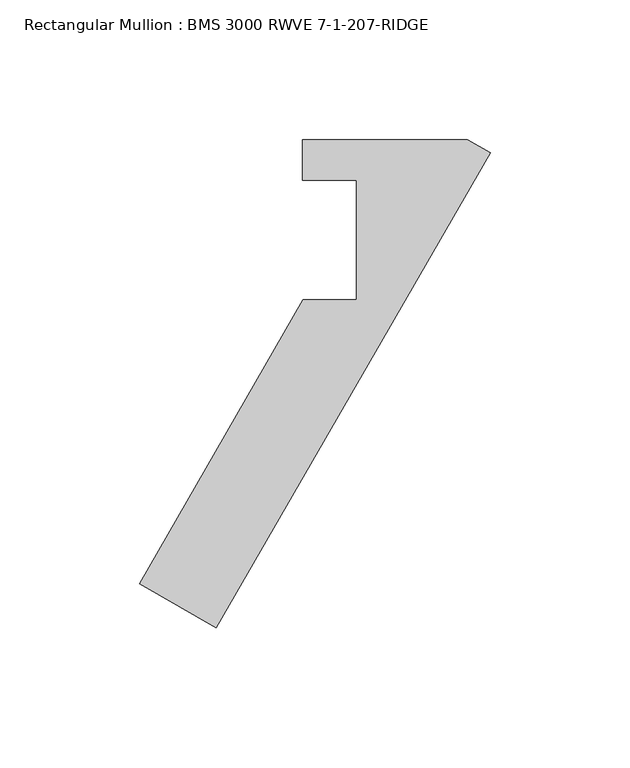
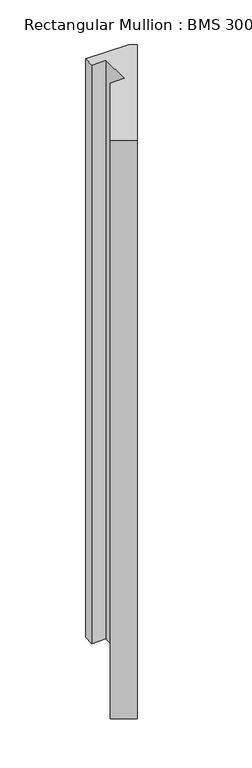
"""IFC4 building model written with IfcOpenShell, lengths in millimetres: member geometry, Rectangular Mullion : BMS 3000 RWVE 7-1-207-RIDGE."""

from ifc_helpers import new_model, si_unit, frame, origin, place, context, project, spatial, polyline, outline, extrude, source, transform, mapped, element, save


def rectangular_mullion_bms_3000_rwve_7_1_207_ridge_e7c8d4cb(model_context):
    return source(origin(), model_context, "Body", "SweptSolid", [
        extrude(outline(polyline([(-8.2593666, 4.7511348), (0.0, -0.0174127), (-98.2237332, -170.1459091), (-125.7200397, -154.2709091), (-67.0612524, -52.6709091), (-48.0112524, -52.6709091), (-48.0112524, -9.7425031), (-67.2653176, -9.7425031), (-67.2653176, 4.7511348), (-8.2593666, 4.7511348)])), frame((0.0, 0.0, -830.659375), z_axis=(0.0, 0.0, 1.0), x_axis=(1.0, 0.0, 0.0)), (0.0, 0.0, 1.0), 830.659375),
    ])


if __name__ == "__main__":
    model = new_model("IFC4")
    model_context = context("Model", 3, world=origin())
    ifc_project = project(units=[si_unit("LENGTHUNIT", "METRE", prefix="MILLI")], contexts=[model_context])
    site = spatial("IfcSite", under=ifc_project)
    building = spatial("IfcBuilding", under=site)
    placement = place(None, origin())
    rectangular_mullion_bms_3000_rwve_7_1_207_ridge_shape = rectangular_mullion_bms_3000_rwve_7_1_207_ridge_e7c8d4cb(model_context)
    element("IfcMember", 1, ObjectType="Rectangular Mullion : BMS 3000 RWVE 7-1-207-RIDGE", at=placement, inside=building, context=model_context, shape_type="MappedRepresentation", body=[
        mapped(rectangular_mullion_bms_3000_rwve_7_1_207_ridge_shape, transform((0.0, 0.0, 0.0), x_axis=(1.0, 0.0, 0.0), y_axis=(0.0, 1.0, 0.0), z_axis=(0.0, 0.0, 1.0))),
    ])
    save(model, "model.ifc")
